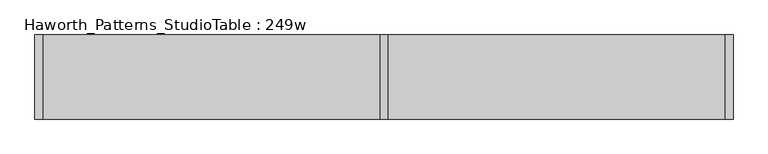
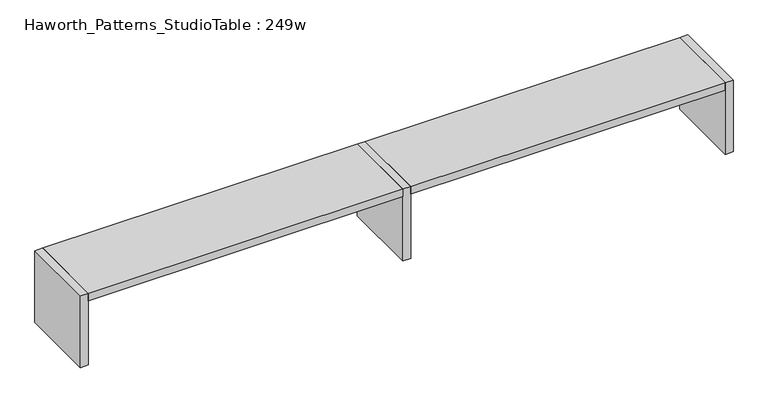
"""IFC4 building model written with IfcOpenShell, lengths in millimetres: furniture geometry, Haworth_Patterns_StudioTable : 249w."""

from ifc_helpers import new_model, si_unit, frame, origin, origin_with_axes, place, context, project, spatial, polyline, outline, extrude, source, transform, mapped, element, save


def haworth_patterns_studiotable_249w_ec4773b9(model_context):
    return source(origin(), model_context, "Body", "SweptSolid", [
        extrude(outline(polyline([(3086.1, 0.0), (3086.1, -762.0), (38.1, -762.0), (38.1, 0.0), (3086.1, 0.0)])), frame((0.0, 0.0, 660.4), z_axis=(0.0, 0.0, 1.0), x_axis=(1.0, 0.0, 0.0)), (0.0, 0.0, 1.0), 76.2),
        extrude(outline(polyline([(-38.1, 0.0), (-38.1, -762.0), (-3086.1, -762.0), (-3086.1, 0.0), (-38.1, 0.0)])), frame((0.0, 0.0, 660.4), z_axis=(0.0, 0.0, 1.0), x_axis=(1.0, 0.0, 0.0)), (0.0, 0.0, 1.0), 76.2),
        extrude(outline(polyline([(-38.1, 0.0), (38.1, 0.0), (38.1, -762.0), (-38.1, -762.0), (-38.1, 0.0)])), origin_with_axes(), (0.0, 0.0, 1.0), 736.6),
        extrude(outline(polyline([(3086.1, 0.0), (3162.3, 0.0), (3162.3, -762.0), (3086.1, -762.0), (3086.1, 0.0)])), origin_with_axes(), (0.0, 0.0, 1.0), 736.6),
        extrude(outline(polyline([(-3086.1, 0.0), (-3086.1, -762.0), (-3162.3, -762.0), (-3162.3, 0.0), (-3086.1, 0.0)])), origin_with_axes(), (0.0, 0.0, 1.0), 736.6),
    ])


if __name__ == "__main__":
    model = new_model("IFC4")
    model_context = context("Model", 3, world=origin())
    ifc_project = project(units=[si_unit("LENGTHUNIT", "METRE", prefix="MILLI")], contexts=[model_context])
    site = spatial("IfcSite", under=ifc_project)
    building = spatial("IfcBuilding", under=site)
    placement = place(None, origin())
    haworth_patterns_studiotable_249w_shape = haworth_patterns_studiotable_249w_ec4773b9(model_context)
    element("IfcFurniture", 1, ObjectType="Haworth_Patterns_StudioTable : 249w", at=placement, inside=building, context=model_context, shape_type="MappedRepresentation", body=[
        mapped(haworth_patterns_studiotable_249w_shape, transform((0.0, 0.0, 0.0), x_axis=(1.0, 0.0, 0.0), y_axis=(0.0, 1.0, 0.0), z_axis=(0.0, 0.0, 1.0))),
    ])
    save(model, "model.ifc")
